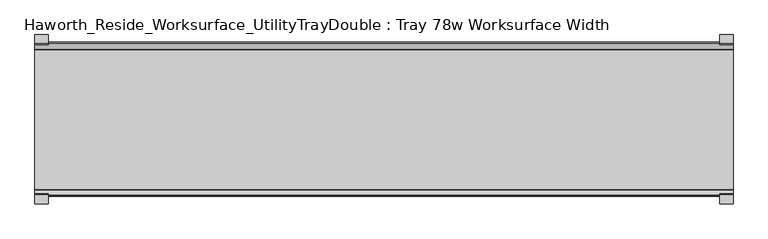
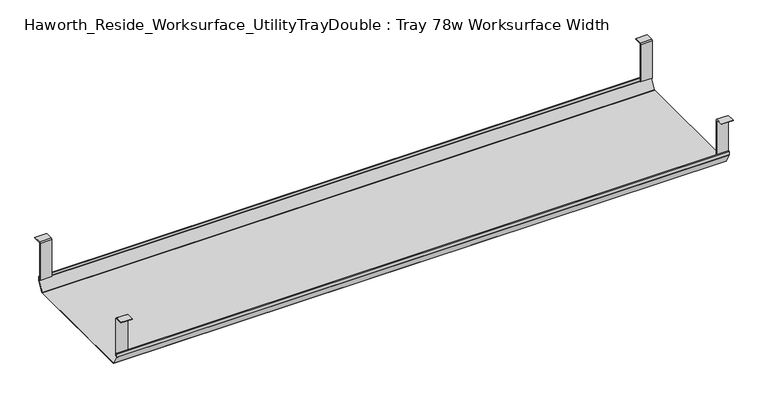
"""IFC4 building model written with IfcOpenShell, lengths in millimetres: furniture geometry, Haworth_Reside_Worksurface_UtilityTrayDouble : Tray 78w Worksurface Width."""

import ifcopenshell
import ifcopenshell.guid

model = None  # the IFC model being written
_history = None  # IfcOwnerHistory: only IFC2X3 demands one
_inside = {}  # id of a spatial element -> (the spatial element, [elements in it])
_under = {}  # id of a project, library or spatial element -> (it, [spatial elements below it])
_declared = {}  # id of a project -> (the project, [libraries it declares])
_typed = {}  # id of a type object -> (the type object, [elements of that type])
_made_of = {}  # id of a material, layer set ... -> (it, [elements and type objects made of it])


def new_model(schema):
    """Start an empty IFC model of exactly this schema.

    Asked for "IFC4X3", IfcOpenShell would pick the latest addendum, in which some entities
    have other attributes; the version numbers below select the first issue.
    IFC2X3 requires an IfcOwnerHistory on every rooted entity: one is made here for all.
    """
    global model, _history
    if schema == "IFC4X3":
        model = ifcopenshell.file(schema_version=(4, 3, 0, 0))
    else:
        model = ifcopenshell.file(schema=schema)
    _inside.clear()
    _under.clear()
    _declared.clear()
    _typed.clear()
    _made_of.clear()
    _history = None
    if model.schema == "IFC2X3":
        org = make("IfcOrganization", Name="unknown")
        user = make(
            "IfcPersonAndOrganization",
            ThePerson=make("IfcPerson", FamilyName="unknown"),
            TheOrganization=org,
        )
        app = make(
            "IfcApplication",
            ApplicationDeveloper=org,
            Version="unknown",
            ApplicationFullName="unknown",
            ApplicationIdentifier="unknown",
        )
        _history = make(
            "IfcOwnerHistory",
            OwningUser=user,
            OwningApplication=app,
            ChangeAction="ADDED",
            CreationDate=0,
        )
    return model


def make(cls, **values):
    """One entity of the class cls with the attributes given. An attribute that is None is left unset."""
    return model.create_entity(
        cls, **{name: value for name, value in values.items() if value is not None}
    )


def rooted(cls, **values):
    """An entity with a GlobalId (a new one), such as an element, a storey or a relation."""
    return make(cls, GlobalId=ifcopenshell.guid.new(), OwnerHistory=_history, **values)


def si_unit(unit_type, name, prefix=None):
    """IfcSIUnit, for example si_unit("LENGTHUNIT", "METRE", prefix="MILLI")."""
    return make("IfcSIUnit", UnitType=unit_type, Prefix=prefix, Name=name)


def assignment(units):
    """IfcUnitAssignment: the units of a project."""
    return None if units is None else make("IfcUnitAssignment", Units=units)


def point(xyz):
    """IfcCartesianPoint."""
    return None if xyz is None else make("IfcCartesianPoint", Coordinates=xyz)


def direction(xyz):
    """IfcDirection."""
    return None if xyz is None else make("IfcDirection", DirectionRatios=xyz)


def frame(location, z_axis=None, x_axis=None):
    """IfcAxis2Placement3D, a coordinate frame: its origin and axes. An axis left out is left unset."""
    return make(
        "IfcAxis2Placement3D",
        Location=point(location),
        Axis=direction(z_axis),
        RefDirection=direction(x_axis),
    )


def origin():
    """The frame at (0, 0, 0) with its axes left unset."""
    return frame((0.0, 0.0, 0.0))


def place(relative_to, where):
    """IfcLocalPlacement: puts the frame where relative to a parent placement (None: the world)."""
    return make(
        "IfcLocalPlacement", PlacementRelTo=relative_to, RelativePlacement=where
    )


def context(
    kind, dimensions, precision=None, world=None, true_north=None, identifier=None
):
    """IfcGeometricRepresentationContext, for example the 3D "Model" context."""
    return make(
        "IfcGeometricRepresentationContext",
        ContextIdentifier=identifier,
        ContextType=kind,
        CoordinateSpaceDimension=dimensions,
        Precision=precision,
        WorldCoordinateSystem=world,
        TrueNorth=true_north,
    )


def project(units=None, contexts=None):
    """IfcProject with its units and contexts."""
    return rooted(
        "IfcProject",
        Name="project",
        RepresentationContexts=contexts,
        UnitsInContext=assignment(units),
    )


def spatial(cls, under=None, at=None, **own):
    """A site, building, storey or space (cls), placed at a placement, below another one or the project."""
    s = rooted(cls, ObjectPlacement=at, **own)
    if under is not None:
        _under.setdefault(under.id(), (under, []))[1].append(s)
    return s


def polyline(points):
    """IfcPolyline through the points."""
    return make("IfcPolyline", Points=[point(p) for p in points])


def outline(outer, holes=None, kind="AREA"):
    """IfcArbitraryClosedProfileDef: a profile drawn as a closed curve; with holes, ...WithVoids."""
    if holes is None:
        return make("IfcArbitraryClosedProfileDef", ProfileType=kind, OuterCurve=outer)
    return make(
        "IfcArbitraryProfileDefWithVoids",
        ProfileType=kind,
        OuterCurve=outer,
        InnerCurves=holes,
    )


def extrude(swept, where, along, depth):
    """IfcExtrudedAreaSolid: the profile swept, set in the frame where, extruded along a direction by depth."""
    return make(
        "IfcExtrudedAreaSolid",
        SweptArea=swept,
        Position=where,
        ExtrudedDirection=direction(along),
        Depth=depth,
    )


def shape(context_of_items, identifier, shape_type, items):
    """IfcShapeRepresentation: the items that make up one representation, for example the "Body"."""
    return make(
        "IfcShapeRepresentation",
        ContextOfItems=context_of_items,
        RepresentationIdentifier=identifier,
        RepresentationType=shape_type,
        Items=items,
    )


def source(mapping_origin, context_of_items, identifier, shape_type, items):
    """IfcRepresentationMap: a shape defined once, which mapped items show again and again."""
    return make(
        "IfcRepresentationMap",
        MappingOrigin=mapping_origin,
        MappedRepresentation=shape(context_of_items, identifier, shape_type, items),
    )


def transform(
    local_origin,
    x_axis=None,
    y_axis=None,
    z_axis=None,
    scale=None,
    scale2=None,
    scale3=None,
    uniform=True,
):
    """IfcCartesianTransformationOperator3D, or its non-uniform kind. x_axis, y_axis, z_axis: its Axis1, 2, 3."""
    if uniform:
        return make(
            "IfcCartesianTransformationOperator3D",
            Axis1=direction(x_axis),
            Axis2=direction(y_axis),
            LocalOrigin=point(local_origin),
            Scale=scale,
            Axis3=direction(z_axis),
        )
    return make(
        "IfcCartesianTransformationOperator3DnonUniform",
        Axis1=direction(x_axis),
        Axis2=direction(y_axis),
        LocalOrigin=point(local_origin),
        Scale=scale,
        Axis3=direction(z_axis),
        Scale2=scale2,
        Scale3=scale3,
    )


def mapped(mapping_source, mapping_target):
    """IfcMappedItem: shows the shape of a source again, moved by a transform."""
    return make(
        "IfcMappedItem", MappingSource=mapping_source, MappingTarget=mapping_target
    )


def made_of(thing, what):
    """Note that an element or type object is made of a material, layer set ...; save() writes the relation."""
    if what is not None:
        _made_of.setdefault(what.id(), (what, []))[1].append(thing)
    return thing


def element(
    cls,
    number,
    at=None,
    inside=None,
    cuts=None,
    type_object=None,
    material=None,
    context=None,
    identifier="Body",
    shape_type=None,
    held_by="IfcProductDefinitionShape",
    body=None,
    shapes=None,
    **own,
):
    """One element of the class cls, such as IfcWall. Its Tag is "e" and its number.

    at: its placement. inside: the storey or other place that contains it. cuts: it is an
    opening in that element (IfcRelVoidsElement). A single representation is given by context,
    identifier, shape_type and body (its items); several are given by shapes. held_by: the class
    of the entity that holds the representations. save() writes the other relations.
    """
    e = rooted(cls, Tag="e%d" % number, ObjectPlacement=at, **own)
    if body is not None:
        shapes = [shape(context, identifier, shape_type, body)]
    if shapes is not None:
        e.Representation = make(held_by, Representations=shapes)
    if inside is not None:
        _inside.setdefault(inside.id(), (inside, []))[1].append(e)
    if cuts is not None:
        rooted(
            "IfcRelVoidsElement", RelatingBuildingElement=cuts, RelatedOpeningElement=e
        )
    if type_object is not None:
        _typed.setdefault(type_object.id(), (type_object, []))[1].append(e)
    return made_of(e, material)


def aggregate(whole, parts):
    """IfcRelAggregates: a whole, such as a stair, and the parts it consists of."""
    return rooted("IfcRelAggregates", RelatingObject=whole, RelatedObjects=parts)


def save(model, path):
    """Write the relations noted so far, then the file.

    IfcRelAggregates (storeys below a building ...), IfcRelContainedInSpatialStructure (elements
    in a storey), IfcRelDefinesByType, IfcRelAssociatesMaterial and IfcRelDeclares: one each for
    every whole, place, type object, material and project.
    """
    for whole, parts in _under.values():
        aggregate(whole, parts)
    for where, things in _inside.values():
        rooted(
            "IfcRelContainedInSpatialStructure",
            RelatedElements=things,
            RelatingStructure=where,
        )
    for kind, things in _typed.values():
        rooted("IfcRelDefinesByType", RelatedObjects=things, RelatingType=kind)
    for what, things in _made_of.values():
        rooted("IfcRelAssociatesMaterial", RelatedObjects=things, RelatingMaterial=what)
    for by, libraries in _declared.values():
        rooted("IfcRelDeclares", RelatingContext=by, RelatedDefinitions=libraries)
    model.write(path)


def haworth_reside_worksurface_utilitytraydouble_tray_78w_e8b4f121(model_context):
    return source(origin(), model_context, "Body", "SweptSolid", [
        extrude(outline(polyline([(-721.2228768, 731.8375), (-718.8278791, 729.4425023), (-718.8278791, 621.6649855), (-720.2248778, 621.6649855), (-720.2248778, 729.0734626), (-721.7824239, 730.6310087), (-743.0086797, 730.6310087), (-743.0086797, 731.8375), (-721.2228768, 731.8375)])), frame((1022.2991976, 0.0, 0.0), z_axis=(1.0, 0.0, 0.0), x_axis=(0.0, 1.0, 0.0)), (0.0, 0.0, 1.0), 31.8008024),
        extrude(outline(polyline([(-357.7340763, 731.8375), (-335.9482734, 731.8375), (-335.9482734, 730.6310087), (-357.1745292, 730.6310087), (-358.7320753, 729.0734626), (-358.7320753, 621.6649855), (-360.129074, 621.6649855), (-360.129074, 729.4425023), (-357.7340763, 731.8375)])), frame((1022.2991976, 0.0, 0.0), z_axis=(1.0, 0.0, 0.0), x_axis=(0.0, 1.0, 0.0)), (0.0, 0.0, 1.0), 31.8008024),
        extrude(outline(polyline([(-721.2228768, 731.8375), (-718.8278791, 729.4425023), (-718.8278791, 621.6649855), (-720.2248778, 621.6649855), (-720.2248778, 729.0734626), (-721.7824239, 730.6310087), (-743.0086797, 730.6310087), (-743.0086797, 731.8375), (-721.2228768, 731.8375)])), frame((-622.3, 0.0, 0.0), z_axis=(1.0, 0.0, 0.0), x_axis=(0.0, 1.0, 0.0)), (0.0, 0.0, 1.0), 31.8008024),
        extrude(outline(polyline([(-357.7340763, 731.8375), (-335.9482734, 731.8375), (-335.9482734, 730.6310087), (-357.1745292, 730.6310087), (-358.7320753, 729.0734626), (-358.7320753, 621.6649855), (-360.129074, 621.6649855), (-360.129074, 729.4425023), (-357.7340763, 731.8375)])), frame((-622.3, 0.0, 0.0), z_axis=(1.0, 0.0, 0.0), x_axis=(0.0, 1.0, 0.0)), (0.0, 0.0, 1.0), 31.8008024),
        extrude(outline(polyline([(-725.025475, 629.0309966), (-722.993477, 631.0629947), (-722.432211, 630.5017287), (-724.231725, 628.7022146), (-724.231725, 620.8042827), (-724.0067745, 619.9647622), (-708.9140802, 593.8234395), (-707.4787101, 592.9947272), (-371.478243, 592.9947272), (-370.0428729, 593.8234395), (-354.9501786, 619.9647622), (-354.7252281, 620.8042827), (-354.7252281, 628.7022146), (-356.5247421, 630.5017287), (-355.9634761, 631.0629947), (-353.9314781, 629.0309966), (-353.9314781, 620.6997828), (-354.2105217, 619.6583856), (-369.5353957, 593.1149156), (-371.1183815, 592.2009772), (-707.691395, 592.2009772), (-709.4951457, 593.2423744), (-724.7464314, 619.6583856), (-725.025475, 620.6997828), (-725.025475, 629.0309966)])), frame((-622.3, 0.0, 0.0), z_axis=(1.0, 0.0, 0.0), x_axis=(0.0, 1.0, 0.0)), (0.0, 0.0, 1.0), 1676.4),
    ])


if __name__ == "__main__":
    model = new_model("IFC4")
    model_context = context("Model", 3, world=origin())
    ifc_project = project(units=[si_unit("LENGTHUNIT", "METRE", prefix="MILLI")], contexts=[model_context])
    site = spatial("IfcSite", under=ifc_project)
    building = spatial("IfcBuilding", under=site)
    placement = place(None, origin())
    haworth_reside_worksurface_utilitytraydouble_tray_78w_shape = haworth_reside_worksurface_utilitytraydouble_tray_78w_e8b4f121(model_context)
    element("IfcFurniture", 1, ObjectType="Haworth_Reside_Worksurface_UtilityTrayDouble : Tray 78w Worksurface Width", at=placement, inside=building, context=model_context, shape_type="MappedRepresentation", body=[
        mapped(haworth_reside_worksurface_utilitytraydouble_tray_78w_shape, transform((0.0, 0.0, 0.0), x_axis=(1.0, 0.0, 0.0), y_axis=(0.0, 1.0, 0.0), z_axis=(0.0, 0.0, 1.0))),
    ])
    save(model, "model.ifc")
